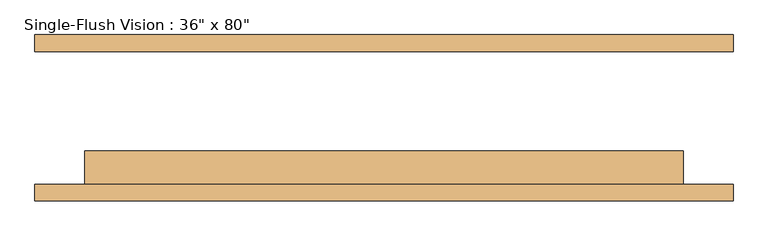
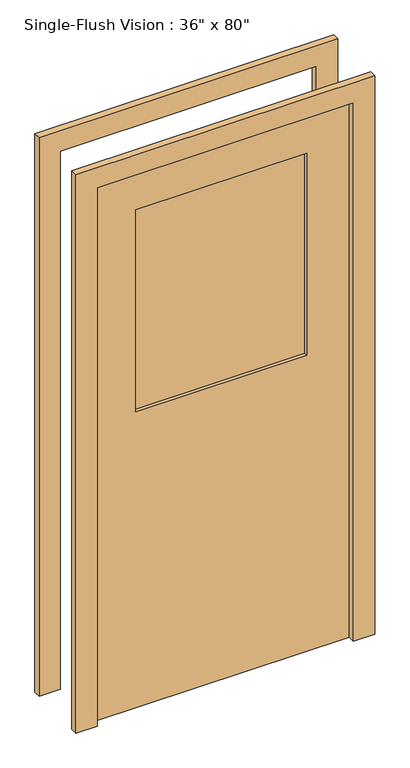
"""IFC4 building model written with IfcOpenShell, lengths in millimetres: door geometry."""

import ifcopenshell
import ifcopenshell.guid

model = None  # the IFC model being written
_history = None  # IfcOwnerHistory: only IFC2X3 demands one
_inside = {}  # id of a spatial element -> (the spatial element, [elements in it])
_under = {}  # id of a project, library or spatial element -> (it, [spatial elements below it])
_declared = {}  # id of a project -> (the project, [libraries it declares])
_typed = {}  # id of a type object -> (the type object, [elements of that type])
_made_of = {}  # id of a material, layer set ... -> (it, [elements and type objects made of it])


def new_model(schema):
    """Start an empty IFC model of exactly this schema.

    Asked for "IFC4X3", IfcOpenShell would pick the latest addendum, in which some entities
    have other attributes; the version numbers below select the first issue.
    IFC2X3 requires an IfcOwnerHistory on every rooted entity: one is made here for all.
    """
    global model, _history
    if schema == "IFC4X3":
        model = ifcopenshell.file(schema_version=(4, 3, 0, 0))
    else:
        model = ifcopenshell.file(schema=schema)
    _inside.clear()
    _under.clear()
    _declared.clear()
    _typed.clear()
    _made_of.clear()
    _history = None
    if model.schema == "IFC2X3":
        org = make("IfcOrganization", Name="unknown")
        user = make(
            "IfcPersonAndOrganization",
            ThePerson=make("IfcPerson", FamilyName="unknown"),
            TheOrganization=org,
        )
        app = make(
            "IfcApplication",
            ApplicationDeveloper=org,
            Version="unknown",
            ApplicationFullName="unknown",
            ApplicationIdentifier="unknown",
        )
        _history = make(
            "IfcOwnerHistory",
            OwningUser=user,
            OwningApplication=app,
            ChangeAction="ADDED",
            CreationDate=0,
        )
    return model


def make(cls, **values):
    """One entity of the class cls with the attributes given. An attribute that is None is left unset."""
    return model.create_entity(
        cls, **{name: value for name, value in values.items() if value is not None}
    )


def rooted(cls, **values):
    """An entity with a GlobalId (a new one), such as an element, a storey or a relation."""
    return make(cls, GlobalId=ifcopenshell.guid.new(), OwnerHistory=_history, **values)


def si_unit(unit_type, name, prefix=None):
    """IfcSIUnit, for example si_unit("LENGTHUNIT", "METRE", prefix="MILLI")."""
    return make("IfcSIUnit", UnitType=unit_type, Prefix=prefix, Name=name)


def assignment(units):
    """IfcUnitAssignment: the units of a project."""
    return None if units is None else make("IfcUnitAssignment", Units=units)


def point(xyz):
    """IfcCartesianPoint."""
    return None if xyz is None else make("IfcCartesianPoint", Coordinates=xyz)


def direction(xyz):
    """IfcDirection."""
    return None if xyz is None else make("IfcDirection", DirectionRatios=xyz)


def frame(location, z_axis=None, x_axis=None):
    """IfcAxis2Placement3D, a coordinate frame: its origin and axes. An axis left out is left unset."""
    return make(
        "IfcAxis2Placement3D",
        Location=point(location),
        Axis=direction(z_axis),
        RefDirection=direction(x_axis),
    )


def origin():
    """The frame at (0, 0, 0) with its axes left unset."""
    return frame((0.0, 0.0, 0.0))


def place(relative_to, where):
    """IfcLocalPlacement: puts the frame where relative to a parent placement (None: the world)."""
    return make(
        "IfcLocalPlacement", PlacementRelTo=relative_to, RelativePlacement=where
    )


def context(
    kind, dimensions, precision=None, world=None, true_north=None, identifier=None
):
    """IfcGeometricRepresentationContext, for example the 3D "Model" context."""
    return make(
        "IfcGeometricRepresentationContext",
        ContextIdentifier=identifier,
        ContextType=kind,
        CoordinateSpaceDimension=dimensions,
        Precision=precision,
        WorldCoordinateSystem=world,
        TrueNorth=true_north,
    )


def project(units=None, contexts=None):
    """IfcProject with its units and contexts."""
    return rooted(
        "IfcProject",
        Name="project",
        RepresentationContexts=contexts,
        UnitsInContext=assignment(units),
    )


def spatial(cls, under=None, at=None, **own):
    """A site, building, storey or space (cls), placed at a placement, below another one or the project."""
    s = rooted(cls, ObjectPlacement=at, **own)
    if under is not None:
        _under.setdefault(under.id(), (under, []))[1].append(s)
    return s


def polyline(points):
    """IfcPolyline through the points."""
    return make("IfcPolyline", Points=[point(p) for p in points])


def outline(outer, holes=None, kind="AREA"):
    """IfcArbitraryClosedProfileDef: a profile drawn as a closed curve; with holes, ...WithVoids."""
    if holes is None:
        return make("IfcArbitraryClosedProfileDef", ProfileType=kind, OuterCurve=outer)
    return make(
        "IfcArbitraryProfileDefWithVoids",
        ProfileType=kind,
        OuterCurve=outer,
        InnerCurves=holes,
    )


def extrude(swept, where, along, depth):
    """IfcExtrudedAreaSolid: the profile swept, set in the frame where, extruded along a direction by depth."""
    return make(
        "IfcExtrudedAreaSolid",
        SweptArea=swept,
        Position=where,
        ExtrudedDirection=direction(along),
        Depth=depth,
    )


def shape(context_of_items, identifier, shape_type, items):
    """IfcShapeRepresentation: the items that make up one representation, for example the "Body"."""
    return make(
        "IfcShapeRepresentation",
        ContextOfItems=context_of_items,
        RepresentationIdentifier=identifier,
        RepresentationType=shape_type,
        Items=items,
    )


def source(mapping_origin, context_of_items, identifier, shape_type, items):
    """IfcRepresentationMap: a shape defined once, which mapped items show again and again."""
    return make(
        "IfcRepresentationMap",
        MappingOrigin=mapping_origin,
        MappedRepresentation=shape(context_of_items, identifier, shape_type, items),
    )


def transform(
    local_origin,
    x_axis=None,
    y_axis=None,
    z_axis=None,
    scale=None,
    scale2=None,
    scale3=None,
    uniform=True,
):
    """IfcCartesianTransformationOperator3D, or its non-uniform kind. x_axis, y_axis, z_axis: its Axis1, 2, 3."""
    if uniform:
        return make(
            "IfcCartesianTransformationOperator3D",
            Axis1=direction(x_axis),
            Axis2=direction(y_axis),
            LocalOrigin=point(local_origin),
            Scale=scale,
            Axis3=direction(z_axis),
        )
    return make(
        "IfcCartesianTransformationOperator3DnonUniform",
        Axis1=direction(x_axis),
        Axis2=direction(y_axis),
        LocalOrigin=point(local_origin),
        Scale=scale,
        Axis3=direction(z_axis),
        Scale2=scale2,
        Scale3=scale3,
    )


def mapped(mapping_source, mapping_target):
    """IfcMappedItem: shows the shape of a source again, moved by a transform."""
    return make(
        "IfcMappedItem", MappingSource=mapping_source, MappingTarget=mapping_target
    )


def made_of(thing, what):
    """Note that an element or type object is made of a material, layer set ...; save() writes the relation."""
    if what is not None:
        _made_of.setdefault(what.id(), (what, []))[1].append(thing)
    return thing


def element(
    cls,
    number,
    at=None,
    inside=None,
    cuts=None,
    type_object=None,
    material=None,
    context=None,
    identifier="Body",
    shape_type=None,
    held_by="IfcProductDefinitionShape",
    body=None,
    shapes=None,
    **own,
):
    """One element of the class cls, such as IfcWall. Its Tag is "e" and its number.

    at: its placement. inside: the storey or other place that contains it. cuts: it is an
    opening in that element (IfcRelVoidsElement). A single representation is given by context,
    identifier, shape_type and body (its items); several are given by shapes. held_by: the class
    of the entity that holds the representations. save() writes the other relations.
    """
    e = rooted(cls, Tag="e%d" % number, ObjectPlacement=at, **own)
    if body is not None:
        shapes = [shape(context, identifier, shape_type, body)]
    if shapes is not None:
        e.Representation = make(held_by, Representations=shapes)
    if inside is not None:
        _inside.setdefault(inside.id(), (inside, []))[1].append(e)
    if cuts is not None:
        rooted(
            "IfcRelVoidsElement", RelatingBuildingElement=cuts, RelatedOpeningElement=e
        )
    if type_object is not None:
        _typed.setdefault(type_object.id(), (type_object, []))[1].append(e)
    return made_of(e, material)


def aggregate(whole, parts):
    """IfcRelAggregates: a whole, such as a stair, and the parts it consists of."""
    return rooted("IfcRelAggregates", RelatingObject=whole, RelatedObjects=parts)


def save(model, path):
    """Write the relations noted so far, then the file.

    IfcRelAggregates (storeys below a building ...), IfcRelContainedInSpatialStructure (elements
    in a storey), IfcRelDefinesByType, IfcRelAssociatesMaterial and IfcRelDeclares: one each for
    every whole, place, type object, material and project.
    """
    for whole, parts in _under.values():
        aggregate(whole, parts)
    for where, things in _inside.values():
        rooted(
            "IfcRelContainedInSpatialStructure",
            RelatedElements=things,
            RelatingStructure=where,
        )
    for kind, things in _typed.values():
        rooted("IfcRelDefinesByType", RelatedObjects=things, RelatingType=kind)
    for what, things in _made_of.values():
        rooted("IfcRelAssociatesMaterial", RelatedObjects=things, RelatingMaterial=what)
    for by, libraries in _declared.values():
        rooted("IfcRelDeclares", RelatingContext=by, RelatedDefinitions=libraries)
    model.write(path)


def door_f255eafb(model_context):
    return source(origin(), model_context, "Body", "SweptSolid", [
        extrude(outline(polyline([(2108.2, -533.4), (0.0, -533.4), (0.0, -457.2), (2032.0, -457.2), (2032.0, 457.2), (0.0, 457.2), (0.0, 533.4), (2108.2, 533.4), (2108.2, -533.4)])), frame((0.0, -127.0, 0.0), z_axis=(0.0, 1.0, 0.0), x_axis=(0.0, 0.0, 1.0)), (0.0, 0.0, 1.0), 25.4),
        extrude(outline(polyline([(2032.0, 457.2), (0.0, 457.2), (0.0, 533.4), (2108.2, 533.4), (2108.2, -533.4), (0.0, -533.4), (0.0, -457.2), (2032.0, -457.2), (2032.0, 457.2)])), frame((0.0, 101.6, 0.0), z_axis=(0.0, 1.0, 0.0), x_axis=(0.0, 0.0, 1.0)), (0.0, 0.0, 1.0), 25.4),
        extrude(outline(polyline([(304.8, -63.5), (304.8, -69.85), (-304.8, -69.85), (-304.8, -63.5), (304.8, -63.5)])), frame((0.0, 0.0, 1117.6), z_axis=(0.0, 0.0, 1.0), x_axis=(1.0, 0.0, 0.0)), (0.0, 0.0, 1.0), 762.0),
        extrude(outline(polyline([(304.8, -82.55), (304.8, -88.9), (-304.8, -88.9), (-304.8, -82.55), (304.8, -82.55)])), frame((0.0, 0.0, 1117.6), z_axis=(0.0, 0.0, 1.0), x_axis=(1.0, 0.0, 0.0)), (0.0, 0.0, 1.0), 762.0),
        extrude(outline(polyline([(2032.0, -457.2), (0.0, -457.2), (0.0, 457.2), (2032.0, 457.2), (2032.0, -457.2)]), holes=[polyline([(1879.6, -304.8), (1879.6, 304.8), (1117.6, 304.8), (1117.6, -304.8), (1879.6, -304.8)])]), frame((0.0, -101.6, 0.0), z_axis=(0.0, 1.0, 0.0), x_axis=(0.0, 0.0, 1.0)), (0.0, 0.0, 1.0), 50.8),
    ])


if __name__ == "__main__":
    model = new_model("IFC4")
    model_context = context("Model", 3, world=origin())
    ifc_project = project(units=[si_unit("LENGTHUNIT", "METRE", prefix="MILLI")], contexts=[model_context])
    site = spatial("IfcSite", under=ifc_project)
    building = spatial("IfcBuilding", under=site)
    placement = place(None, origin())
    door_shape = door_f255eafb(model_context)
    element("IfcDoor", 1, ObjectType="Single-Flush Vision : 36\" x 80\"", at=placement, inside=building, context=model_context, shape_type="MappedRepresentation", body=[
        mapped(door_shape, transform((0.0, 0.0, 0.0), x_axis=(1.0, 0.0, 0.0), y_axis=(0.0, 1.0, 0.0), z_axis=(0.0, 0.0, 1.0))),
    ])
    save(model, "model.ifc")
